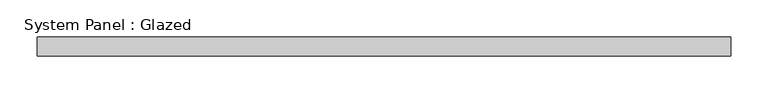
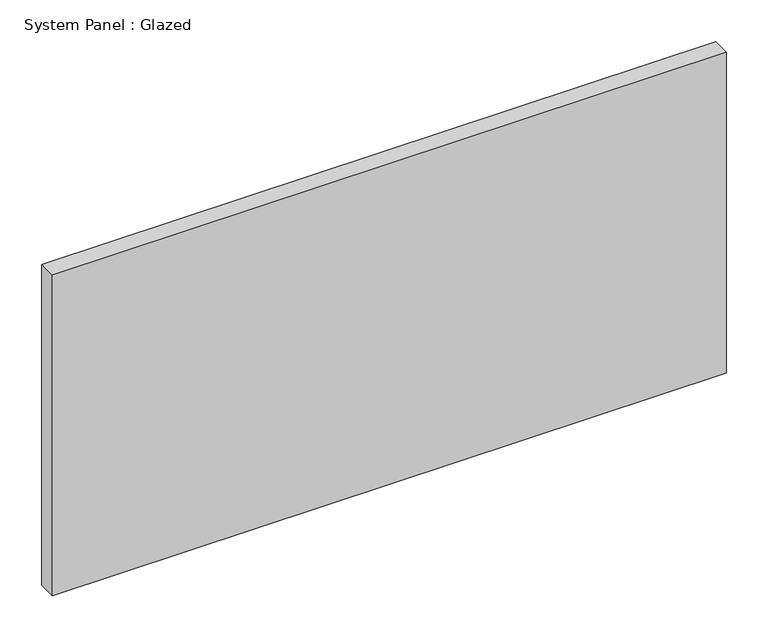
"""IFC4 building model written with IfcOpenShell, lengths in millimetres: plate geometry, System Panel : Glazed."""

from ifc_helpers import new_model, si_unit, origin, origin_with_axes, place, context, project, spatial, polyline, outline, extrude, source, transform, mapped, element, save


def system_panel_glazed_597ae9b3(model_context):
    return source(origin(), model_context, "Body", "SweptSolid", [
        extrude(outline(polyline([(466.725, -12.7), (-466.725, -12.7), (-466.725, 12.7), (466.725, 12.7), (466.725, -12.7)])), origin_with_axes(), (0.0, 0.0, 1.0), 469.9),
    ])


if __name__ == "__main__":
    model = new_model("IFC4")
    model_context = context("Model", 3, world=origin())
    ifc_project = project(units=[si_unit("LENGTHUNIT", "METRE", prefix="MILLI")], contexts=[model_context])
    site = spatial("IfcSite", under=ifc_project)
    building = spatial("IfcBuilding", under=site)
    placement = place(None, origin())
    system_panel_glazed_shape = system_panel_glazed_597ae9b3(model_context)
    element("IfcPlate", 1, ObjectType="System Panel : Glazed", at=placement, inside=building, context=model_context, shape_type="MappedRepresentation", body=[
        mapped(system_panel_glazed_shape, transform((0.0, 0.0, 0.0), x_axis=(1.0, 0.0, 0.0), y_axis=(0.0, 1.0, 0.0), z_axis=(0.0, 0.0, 1.0))),
    ])
    save(model, "model.ifc")
